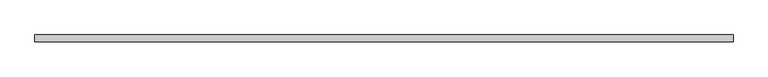
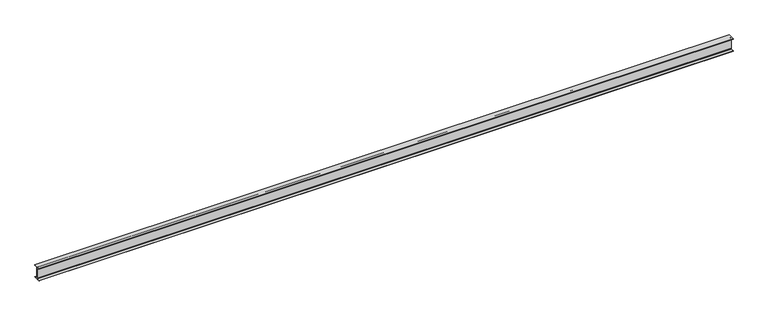
"""IFC4 building model written with IfcOpenShell, lengths in millimetres: beam geometry."""

from ifc_helpers import new_model, si_unit, point, frame, frame_2d, origin, place, context, project, spatial, polyline, circle_curve, trimmed, segment, composite_curve, outline, extrude, source, transform, mapped, element, save


def beam_fbbcd370(model_context):
    return source(origin(), model_context, "Body", "SweptSolid", [
        extrude(outline(composite_curve([segment(polyline([(-82.5, -141.8), (-14.45, -141.8)]), True, "CONTINUOUS"), segment(trimmed(circle_curve(frame_2d((-14.45, -130.4)), 11.4), [point((-14.45, -141.8))], [point((-3.05, -130.4))], True, "CARTESIAN"), True, "CONTINUOUS"), segment(polyline([(-3.05, -130.4), (-3.05, 130.4)]), True, "CONTINUOUS"), segment(trimmed(circle_curve(frame_2d((-14.45, 130.4)), 11.4), [point((-3.05, 130.4))], [point((-14.45, 141.8))], True, "CARTESIAN"), True, "CONTINUOUS"), segment(polyline([(-14.45, 141.8), (-82.5, 141.8), (-82.5, 152.0), (82.5, 152.0), (82.5, 141.8), (14.45, 141.8)]), True, "CONTINUOUS"), segment(trimmed(circle_curve(frame_2d((14.45, 130.4)), 11.4), [point((14.45, 141.8))], [point((3.05, 130.4))], True, "CARTESIAN"), True, "CONTINUOUS"), segment(polyline([(3.05, 130.4), (3.05, -130.4)]), True, "CONTINUOUS"), segment(trimmed(circle_curve(frame_2d((14.45, -130.4)), 11.4), [point((3.05, -130.4))], [point((14.45, -141.8))], True, "CARTESIAN"), True, "CONTINUOUS"), segment(polyline([(14.45, -141.8), (82.5, -141.8), (82.5, -152.0), (-82.5, -152.0), (-82.5, -141.8)]), True, "CONTINUOUS")], self_intersect=False)), frame((-8119.0, 0.0, 0.0), z_axis=(1.0, 0.0, 0.0), x_axis=(0.0, 1.0, 0.0)), (0.0, 0.0, 1.0), 16359.0),
    ])


if __name__ == "__main__":
    model = new_model("IFC4")
    model_context = context("Model", 3, world=origin())
    ifc_project = project(units=[si_unit("LENGTHUNIT", "METRE", prefix="MILLI")], contexts=[model_context])
    site = spatial("IfcSite", under=ifc_project)
    building = spatial("IfcBuilding", under=site)
    placement = place(None, origin())
    beam_shape = beam_fbbcd370(model_context)
    element("IfcBeam", 1, at=placement, inside=building, context=model_context, shape_type="MappedRepresentation", body=[
        mapped(beam_shape, transform((0.0, 0.0, 0.0), x_axis=(1.0, 0.0, 0.0), y_axis=(0.0, 1.0, 0.0), z_axis=(0.0, 0.0, 1.0))),
    ])
    save(model, "model.ifc")
